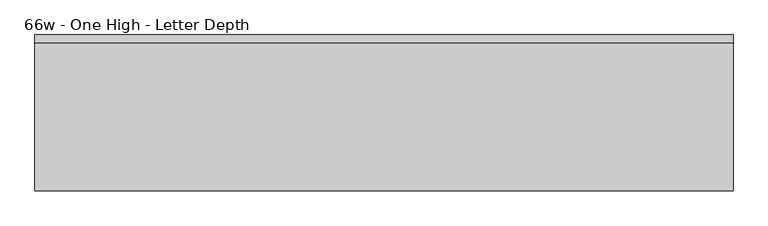
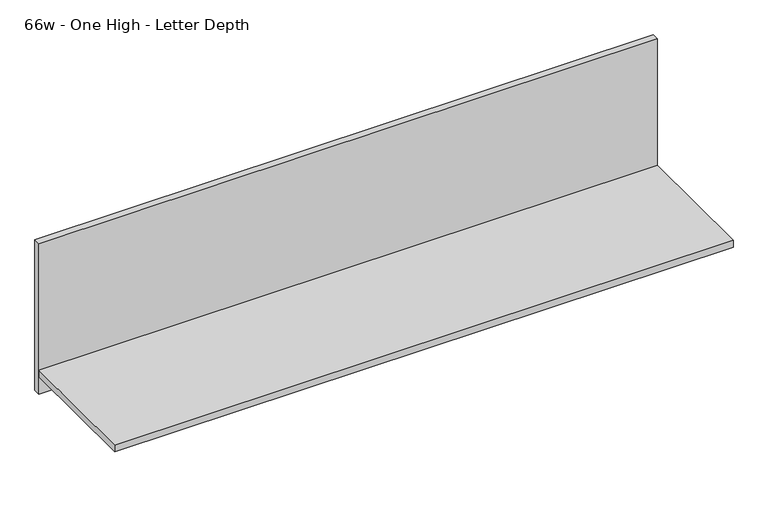
"""IFC4 building model written with IfcOpenShell, lengths in millimetres: furniture geometry, 66w - One High - Letter Depth."""

import ifcopenshell
import ifcopenshell.guid

model = None  # the IFC model being written
_history = None  # IfcOwnerHistory: only IFC2X3 demands one
_inside = {}  # id of a spatial element -> (the spatial element, [elements in it])
_under = {}  # id of a project, library or spatial element -> (it, [spatial elements below it])
_declared = {}  # id of a project -> (the project, [libraries it declares])
_typed = {}  # id of a type object -> (the type object, [elements of that type])
_made_of = {}  # id of a material, layer set ... -> (it, [elements and type objects made of it])


def new_model(schema):
    """Start an empty IFC model of exactly this schema.

    Asked for "IFC4X3", IfcOpenShell would pick the latest addendum, in which some entities
    have other attributes; the version numbers below select the first issue.
    IFC2X3 requires an IfcOwnerHistory on every rooted entity: one is made here for all.
    """
    global model, _history
    if schema == "IFC4X3":
        model = ifcopenshell.file(schema_version=(4, 3, 0, 0))
    else:
        model = ifcopenshell.file(schema=schema)
    _inside.clear()
    _under.clear()
    _declared.clear()
    _typed.clear()
    _made_of.clear()
    _history = None
    if model.schema == "IFC2X3":
        org = make("IfcOrganization", Name="unknown")
        user = make(
            "IfcPersonAndOrganization",
            ThePerson=make("IfcPerson", FamilyName="unknown"),
            TheOrganization=org,
        )
        app = make(
            "IfcApplication",
            ApplicationDeveloper=org,
            Version="unknown",
            ApplicationFullName="unknown",
            ApplicationIdentifier="unknown",
        )
        _history = make(
            "IfcOwnerHistory",
            OwningUser=user,
            OwningApplication=app,
            ChangeAction="ADDED",
            CreationDate=0,
        )
    return model


def make(cls, **values):
    """One entity of the class cls with the attributes given. An attribute that is None is left unset."""
    return model.create_entity(
        cls, **{name: value for name, value in values.items() if value is not None}
    )


def rooted(cls, **values):
    """An entity with a GlobalId (a new one), such as an element, a storey or a relation."""
    return make(cls, GlobalId=ifcopenshell.guid.new(), OwnerHistory=_history, **values)


def si_unit(unit_type, name, prefix=None):
    """IfcSIUnit, for example si_unit("LENGTHUNIT", "METRE", prefix="MILLI")."""
    return make("IfcSIUnit", UnitType=unit_type, Prefix=prefix, Name=name)


def assignment(units):
    """IfcUnitAssignment: the units of a project."""
    return None if units is None else make("IfcUnitAssignment", Units=units)


def point(xyz):
    """IfcCartesianPoint."""
    return None if xyz is None else make("IfcCartesianPoint", Coordinates=xyz)


def direction(xyz):
    """IfcDirection."""
    return None if xyz is None else make("IfcDirection", DirectionRatios=xyz)


def frame(location, z_axis=None, x_axis=None):
    """IfcAxis2Placement3D, a coordinate frame: its origin and axes. An axis left out is left unset."""
    return make(
        "IfcAxis2Placement3D",
        Location=point(location),
        Axis=direction(z_axis),
        RefDirection=direction(x_axis),
    )


def origin():
    """The frame at (0, 0, 0) with its axes left unset."""
    return frame((0.0, 0.0, 0.0))


def place(relative_to, where):
    """IfcLocalPlacement: puts the frame where relative to a parent placement (None: the world)."""
    return make(
        "IfcLocalPlacement", PlacementRelTo=relative_to, RelativePlacement=where
    )


def context(
    kind, dimensions, precision=None, world=None, true_north=None, identifier=None
):
    """IfcGeometricRepresentationContext, for example the 3D "Model" context."""
    return make(
        "IfcGeometricRepresentationContext",
        ContextIdentifier=identifier,
        ContextType=kind,
        CoordinateSpaceDimension=dimensions,
        Precision=precision,
        WorldCoordinateSystem=world,
        TrueNorth=true_north,
    )


def project(units=None, contexts=None):
    """IfcProject with its units and contexts."""
    return rooted(
        "IfcProject",
        Name="project",
        RepresentationContexts=contexts,
        UnitsInContext=assignment(units),
    )


def spatial(cls, under=None, at=None, **own):
    """A site, building, storey or space (cls), placed at a placement, below another one or the project."""
    s = rooted(cls, ObjectPlacement=at, **own)
    if under is not None:
        _under.setdefault(under.id(), (under, []))[1].append(s)
    return s


def polyline(points):
    """IfcPolyline through the points."""
    return make("IfcPolyline", Points=[point(p) for p in points])


def outline(outer, holes=None, kind="AREA"):
    """IfcArbitraryClosedProfileDef: a profile drawn as a closed curve; with holes, ...WithVoids."""
    if holes is None:
        return make("IfcArbitraryClosedProfileDef", ProfileType=kind, OuterCurve=outer)
    return make(
        "IfcArbitraryProfileDefWithVoids",
        ProfileType=kind,
        OuterCurve=outer,
        InnerCurves=holes,
    )


def extrude(swept, where, along, depth):
    """IfcExtrudedAreaSolid: the profile swept, set in the frame where, extruded along a direction by depth."""
    return make(
        "IfcExtrudedAreaSolid",
        SweptArea=swept,
        Position=where,
        ExtrudedDirection=direction(along),
        Depth=depth,
    )


def shape(context_of_items, identifier, shape_type, items):
    """IfcShapeRepresentation: the items that make up one representation, for example the "Body"."""
    return make(
        "IfcShapeRepresentation",
        ContextOfItems=context_of_items,
        RepresentationIdentifier=identifier,
        RepresentationType=shape_type,
        Items=items,
    )


def source(mapping_origin, context_of_items, identifier, shape_type, items):
    """IfcRepresentationMap: a shape defined once, which mapped items show again and again."""
    return make(
        "IfcRepresentationMap",
        MappingOrigin=mapping_origin,
        MappedRepresentation=shape(context_of_items, identifier, shape_type, items),
    )


def transform(
    local_origin,
    x_axis=None,
    y_axis=None,
    z_axis=None,
    scale=None,
    scale2=None,
    scale3=None,
    uniform=True,
):
    """IfcCartesianTransformationOperator3D, or its non-uniform kind. x_axis, y_axis, z_axis: its Axis1, 2, 3."""
    if uniform:
        return make(
            "IfcCartesianTransformationOperator3D",
            Axis1=direction(x_axis),
            Axis2=direction(y_axis),
            LocalOrigin=point(local_origin),
            Scale=scale,
            Axis3=direction(z_axis),
        )
    return make(
        "IfcCartesianTransformationOperator3DnonUniform",
        Axis1=direction(x_axis),
        Axis2=direction(y_axis),
        LocalOrigin=point(local_origin),
        Scale=scale,
        Axis3=direction(z_axis),
        Scale2=scale2,
        Scale3=scale3,
    )


def mapped(mapping_source, mapping_target):
    """IfcMappedItem: shows the shape of a source again, moved by a transform."""
    return make(
        "IfcMappedItem", MappingSource=mapping_source, MappingTarget=mapping_target
    )


def made_of(thing, what):
    """Note that an element or type object is made of a material, layer set ...; save() writes the relation."""
    if what is not None:
        _made_of.setdefault(what.id(), (what, []))[1].append(thing)
    return thing


def element(
    cls,
    number,
    at=None,
    inside=None,
    cuts=None,
    type_object=None,
    material=None,
    context=None,
    identifier="Body",
    shape_type=None,
    held_by="IfcProductDefinitionShape",
    body=None,
    shapes=None,
    **own,
):
    """One element of the class cls, such as IfcWall. Its Tag is "e" and its number.

    at: its placement. inside: the storey or other place that contains it. cuts: it is an
    opening in that element (IfcRelVoidsElement). A single representation is given by context,
    identifier, shape_type and body (its items); several are given by shapes. held_by: the class
    of the entity that holds the representations. save() writes the other relations.
    """
    e = rooted(cls, Tag="e%d" % number, ObjectPlacement=at, **own)
    if body is not None:
        shapes = [shape(context, identifier, shape_type, body)]
    if shapes is not None:
        e.Representation = make(held_by, Representations=shapes)
    if inside is not None:
        _inside.setdefault(inside.id(), (inside, []))[1].append(e)
    if cuts is not None:
        rooted(
            "IfcRelVoidsElement", RelatingBuildingElement=cuts, RelatedOpeningElement=e
        )
    if type_object is not None:
        _typed.setdefault(type_object.id(), (type_object, []))[1].append(e)
    return made_of(e, material)


def aggregate(whole, parts):
    """IfcRelAggregates: a whole, such as a stair, and the parts it consists of."""
    return rooted("IfcRelAggregates", RelatingObject=whole, RelatedObjects=parts)


def save(model, path):
    """Write the relations noted so far, then the file.

    IfcRelAggregates (storeys below a building ...), IfcRelContainedInSpatialStructure (elements
    in a storey), IfcRelDefinesByType, IfcRelAssociatesMaterial and IfcRelDeclares: one each for
    every whole, place, type object, material and project.
    """
    for whole, parts in _under.values():
        aggregate(whole, parts)
    for where, things in _inside.values():
        rooted(
            "IfcRelContainedInSpatialStructure",
            RelatedElements=things,
            RelatingStructure=where,
        )
    for kind, things in _typed.values():
        rooted("IfcRelDefinesByType", RelatedObjects=things, RelatingType=kind)
    for what, things in _made_of.values():
        rooted("IfcRelAssociatesMaterial", RelatedObjects=things, RelatingMaterial=what)
    for by, libraries in _declared.values():
        rooted("IfcRelDeclares", RelatingContext=by, RelatedDefinitions=libraries)
    model.write(path)


def furniture_66w_one_high_letter_depth_ef6a5966(model_context):
    return source(origin(), model_context, "Body", "SweptSolid", [
        extrude(outline(polyline([(840.6402902, -30.4843594), (-835.7597098, -30.4843594), (-835.7597098, -11.4343594), (840.6402902, -11.4343594), (840.6402902, -30.4843594)])), frame((0.0, 0.0, 762.0), z_axis=(0.0, 0.0, 1.0), x_axis=(1.0, 0.0, 0.0)), (0.0, 0.0, 1.0), 431.8),
        extrude(outline(polyline([(-835.7597098, -386.0843594), (-835.7597098, -30.4843594), (840.6402902, -30.4843594), (840.6402902, -386.0843594), (-835.7597098, -386.0843594)])), frame((0.0, 0.0, 812.8), z_axis=(0.0, 0.0, 1.0), x_axis=(1.0, 0.0, 0.0)), (0.0, 0.0, 1.0), 19.05),
    ])


if __name__ == "__main__":
    model = new_model("IFC4")
    model_context = context("Model", 3, world=origin())
    ifc_project = project(units=[si_unit("LENGTHUNIT", "METRE", prefix="MILLI")], contexts=[model_context])
    site = spatial("IfcSite", under=ifc_project)
    building = spatial("IfcBuilding", under=site)
    placement = place(None, origin())
    furniture_66w_one_high_letter_depth_shape = furniture_66w_one_high_letter_depth_ef6a5966(model_context)
    element("IfcFurniture", 1, ObjectType="66w - One High - Letter Depth", at=placement, inside=building, context=model_context, shape_type="MappedRepresentation", body=[
        mapped(furniture_66w_one_high_letter_depth_shape, transform((0.0, 0.0, 0.0), x_axis=(1.0, 0.0, 0.0), y_axis=(0.0, 1.0, 0.0), z_axis=(0.0, 0.0, 1.0))),
    ])
    save(model, "model.ifc")
